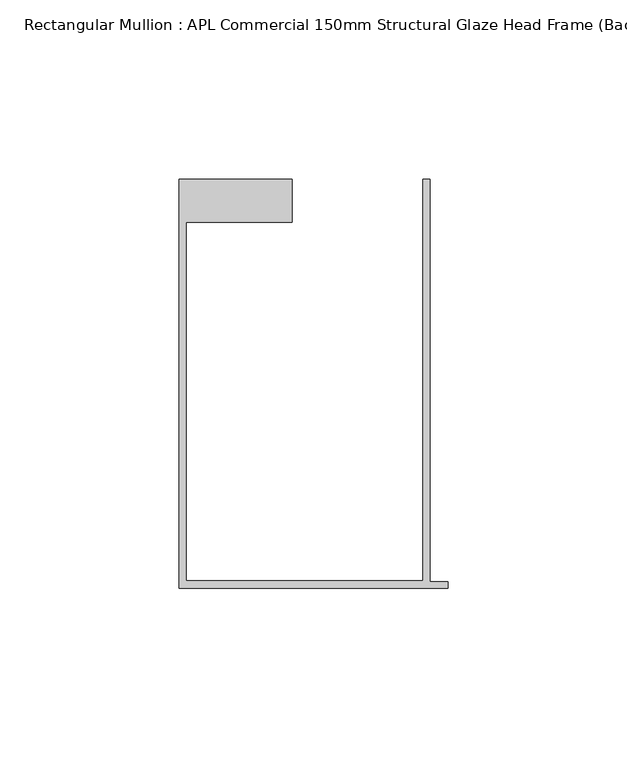
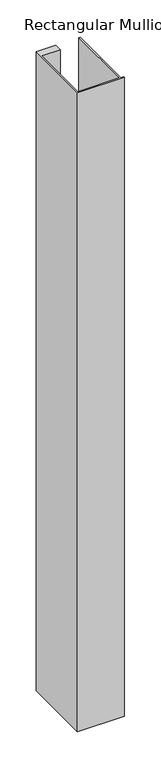
"""IFC4 building model written with IfcOpenShell, lengths in millimetres: member geometry, Rectangular Mullion : APL Commercial 150mm Structural Glaze Head Frame (Back)."""

from ifc_helpers import new_model, si_unit, frame, origin, place, context, project, spatial, polyline, outline, extrude, source, transform, mapped, element, save


def rectangular_mullion_apl_commercial_150mm_structural_glaze_253e9848(model_context):
    return source(origin(), model_context, "Body", "SweptSolid", [
        extrude(outline(polyline([(-75.0, -128.9993063), (-75.0, -14.9998342), (-43.5000151, -14.9998342), (-43.5000151, -26.9997514), (-73.0, -26.9997514), (-73.0, -126.9993063), (-7.0, -126.9993063), (-7.0, -14.9998342), (-5.0, -14.9998342), (-5.0, -127.1993063), (0.0, -127.1993063), (0.0, -128.9993063), (-75.0, -128.9993063)])), frame((0.0, 0.0, -1077.6385615), z_axis=(0.0, 0.0, 1.0), x_axis=(1.0, 0.0, 0.0)), (0.0, 0.0, 1.0), 1077.6385615),
    ])


if __name__ == "__main__":
    model = new_model("IFC4")
    model_context = context("Model", 3, world=origin())
    ifc_project = project(units=[si_unit("LENGTHUNIT", "METRE", prefix="MILLI")], contexts=[model_context])
    site = spatial("IfcSite", under=ifc_project)
    building = spatial("IfcBuilding", under=site)
    placement = place(None, origin())
    rectangular_mullion_apl_commercial_150mm_structural_glaze_shape = rectangular_mullion_apl_commercial_150mm_structural_glaze_253e9848(model_context)
    element("IfcMember", 1, ObjectType="Rectangular Mullion : APL Commercial 150mm Structural Glaze Head Frame (Back)", at=placement, inside=building, context=model_context, shape_type="MappedRepresentation", body=[
        mapped(rectangular_mullion_apl_commercial_150mm_structural_glaze_shape, transform((0.0, 0.0, 0.0), x_axis=(1.0, 0.0, 0.0), y_axis=(0.0, 1.0, 0.0), z_axis=(0.0, 0.0, 1.0))),
    ])
    save(model, "model.ifc")
